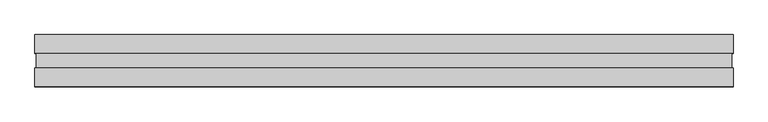
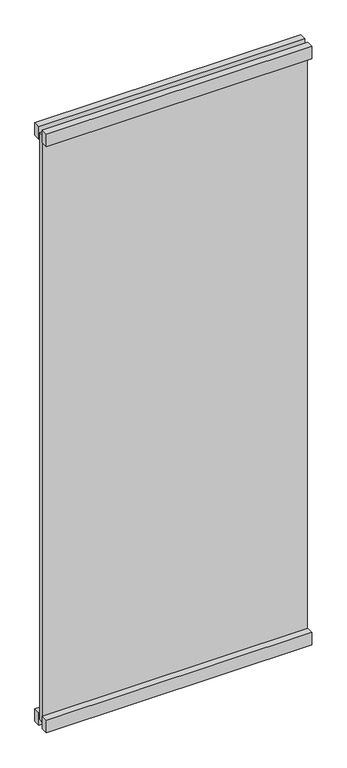
"""IFC4 building model written with IfcOpenShell, lengths in millimetres: plate geometry."""

from ifc_helpers import new_model, si_unit, frame, origin, origin_with_axes, place, context, project, spatial, polyline, outline, extrude, source, transform, mapped, element, save


def plate_0ad3e881(model_context):
    return source(origin(), model_context, "Body", "SweptSolid", [
        extrude(outline(polyline([(605.1249999, -13.0), (605.1249999, -45.0), (-605.1249999, -45.0), (-605.1249999, -13.0), (605.1249999, -13.0)])), origin_with_axes(), (0.0, 0.0, 1.0), 60.0),
        extrude(outline(polyline([(605.1249999, 45.0), (605.1249999, 13.0), (-605.1249999, 13.0), (-605.1249999, 45.0), (605.1249999, 45.0)])), origin_with_axes(), (0.0, 0.0, 1.0), 60.0),
        extrude(outline(polyline([(605.1249999, -13.0), (605.1249999, -45.0), (-605.1249999, -45.0), (-605.1249999, -13.0), (605.1249999, -13.0)])), frame((0.0, 0.0, 2825.0), z_axis=(0.0, 0.0, 1.0), x_axis=(1.0, 0.0, 0.0)), (0.0, 0.0, 1.0), 60.0),
        extrude(outline(polyline([(605.1249999, 45.0), (605.1249999, 13.0), (-605.1249999, 13.0), (-605.1249999, 45.0), (605.1249999, 45.0)])), frame((0.0, 0.0, 2825.0), z_axis=(0.0, 0.0, 1.0), x_axis=(1.0, 0.0, 0.0)), (0.0, 0.0, 1.0), 60.0),
        extrude(outline(polyline([(602.6249999, -13.0), (-602.6249999, -13.0), (-602.6249999, 13.0), (602.6249999, 13.0), (602.6249999, -13.0)])), frame((0.0, 0.0, 28.0), z_axis=(0.0, 0.0, 1.0), x_axis=(1.0, 0.0, 0.0)), (0.0, 0.0, 1.0), 2829.0),
    ])


if __name__ == "__main__":
    model = new_model("IFC4")
    model_context = context("Model", 3, world=origin())
    ifc_project = project(units=[si_unit("LENGTHUNIT", "METRE", prefix="MILLI")], contexts=[model_context])
    site = spatial("IfcSite", under=ifc_project)
    building = spatial("IfcBuilding", under=site)
    placement = place(None, origin())
    plate_shape = plate_0ad3e881(model_context)
    element("IfcPlate", 1, at=placement, inside=building, context=model_context, shape_type="MappedRepresentation", body=[
        mapped(plate_shape, transform((0.0, 0.0, 0.0), x_axis=(1.0, 0.0, 0.0), y_axis=(0.0, 1.0, 0.0), z_axis=(0.0, 0.0, 1.0))),
    ])
    save(model, "model.ifc")
